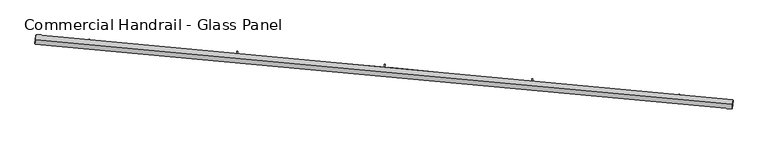
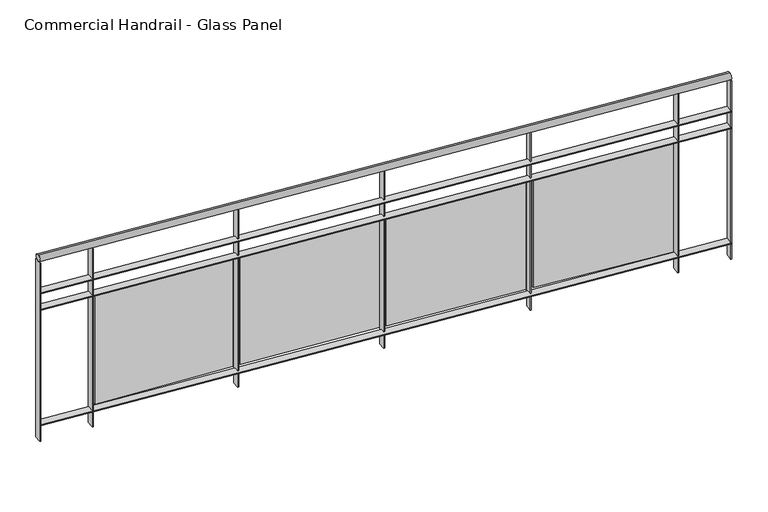
"""IFC4 building model written with IfcOpenShell, lengths in millimetres: railing geometry, Commercial Handrail - Glass Panel."""

from ifc_helpers import new_model, si_unit, point, frame, origin, place, context, project, spatial, polyline, circle_curve, ellipse_curve, trimmed, outline, extrude, source, transform, mapped, element, save
from ifc_brep_helpers import plane_surface, cylinder_surface, revolved_surface, advanced_brep


def commercial_handrail_glass_panel_a1b52bda(model_context):
    return source(origin(), model_context, "Body", "SolidModel", [
        advanced_brep(
        [(134392.4186606, -8697.9244773, 23082.5), (130631.4894824, -8347.8645549, 23082.5), (130631.4894824, -8347.8645549, 23117.5), (134392.4186606, -8697.9244773, 23117.5)],
        [
            (0, 1, circle_curve(frame((123990.1653691, -100078.2018552, 23082.5), z_axis=(0.0, 0.0, 1.0), x_axis=(0.07221150688072363, 0.9973893413677606, 0.0)), 91970.4407253)),
            (1, 2, ellipse_curve(frame((130631.4894824, -8347.8645549, 23100.0), z_axis=(0.9973893413677601, -0.07221150688073003, 0.0), x_axis=(-0.07221150688073003, -0.9973893413677601, 0.0)), 25.0, 17.5)),
            (2, 3, circle_curve(frame((123990.1653691, -100078.2018552, 23117.5), z_axis=(0.0, 0.0, -1.0), x_axis=(0.07221150688072363, 0.9973893413677606, 0.0)), 91970.4407253)),
            (3, 0, ellipse_curve(frame((134392.4186606, -8697.9244773, 23100.0), z_axis=(-0.9935831192856617, 0.11310431057468384, 0.0), x_axis=(-0.11310431057468384, -0.9935831192856617, 0.0)), 25.0, 17.5)),
            (2, 1, ellipse_curve(frame((130631.4894824, -8347.8645549, 23100.0), z_axis=(0.9973893413677601, -0.07221150688073003, 0.0), x_axis=(-0.07221150688073003, -0.9973893413677601, 0.0)), 25.0, 17.5)),
            (0, 3, ellipse_curve(frame((134392.4186606, -8697.9244773, 23100.0), z_axis=(-0.9935831192856617, 0.11310431057468384, 0.0), x_axis=(-0.11310431057468384, -0.9935831192856617, 0.0)), 25.0, 17.5)),
        ],
        [
            revolved_surface(trimmed(ellipse_curve(frame((130631.4894824, -8347.8645549, 23100.0), z_axis=(-0.9973893413677606, 0.07221150688072363, 0.0), x_axis=(0.0, 0.0, -1.0)), 17.5, 25.0), [point((130631.4894824, -8347.8645549, 23117.5))], [point((130631.4894824, -8347.8645549, 23082.5))], True, "CARTESIAN"), (123990.1653691, -100078.2018552, 23100.0), (0.0, 0.0, -1.0)),
            revolved_surface(trimmed(ellipse_curve(frame((130631.4894824, -8347.8645549, 23100.0), z_axis=(-0.9973893413677606, 0.07221150688072363, 0.0), x_axis=(0.0, 0.0, -1.0)), 17.5, 25.0), [point((130631.4894824, -8347.8645549, 23082.5))], [point((130631.4894824, -8347.8645549, 23117.5))], True, "CARTESIAN"), (123990.1653691, -100078.2018552, 23100.0), (0.0, 0.0, -1.0)),
            plane_surface(frame((130631.4894824, -8347.8645549, 23100.0), z_axis=(-0.9973893413677607, 0.07221150688072363, 0.0), x_axis=(0.07221150688072363, 0.9973893413677607, 0.0))),
            plane_surface(frame((134392.4186606, -8697.9244773, 23100.0), z_axis=(0.9935831192856617, -0.11310431057468376, 0.0), x_axis=(0.11310431057468376, 0.9935831192856617, 0.0))),
        ],
        [
            (0, [[1, 2, 3, 4]]),
            (1, [[-3, 5, -1, 6]]),
            (2, [[-2, -5]]),
            (3, [[-6, -4]]),
        ],
    ),
        advanced_brep(
        [(134394.9635076, -8675.5688571, 22900.0), (130633.1142413, -8325.4232948, 22900.0), (130629.8647235, -8370.3058151, 22900.0), (134389.8738136, -8720.2800975, 22900.0), (134394.9635076, -8675.5688571, 22894.0), (130633.1142413, -8325.4232948, 22894.0), (134389.8738136, -8720.2800975, 22894.0), (130629.8647235, -8370.3058151, 22894.0)],
        [
            (0, 1, circle_curve(frame((123990.1653691, -100078.2018552, 22900.0), z_axis=(0.0, 0.0, 1.0), x_axis=(0.07221150688072363, 0.9973893413677606, 0.0)), 91992.9407253)),
            (1, 2),
            (2, 3, circle_curve(frame((123990.1653691, -100078.2018552, 22900.0), z_axis=(0.0, 0.0, -1.0), x_axis=(0.07221150688072363, 0.9973893413677606, 0.0)), 91947.9407253)),
            (3, 0),
            (4, 5, circle_curve(frame((123990.1653691, -100078.2018552, 22894.0), z_axis=(0.0, 0.0, 1.0), x_axis=(0.07221150688072363, 0.9973893413677606, 0.0)), 91992.9407253)),
            (5, 1),
            (0, 4),
            (6, 7, circle_curve(frame((123990.1653691, -100078.2018552, 22894.0), z_axis=(0.0, 0.0, 1.0), x_axis=(0.07221150688072363, 0.9973893413677606, 0.0)), 91947.9407253)),
            (7, 5),
            (4, 6),
            (2, 7),
            (6, 3),
        ],
        [
            plane_surface(frame((123990.1653691, -100078.2018552, 22900.0), z_axis=(0.0, 0.0, 1.0), x_axis=(0.07221150688072363, 0.9973893413677606, 0.0))),
            cylinder_surface(frame((123990.1653691, -100078.2018552, 22900.0), z_axis=(0.0, 0.0, -1.0), x_axis=(0.07221150688072363, 0.9973893413677606, 0.0)), 91992.9407253),
            plane_surface(frame((123990.1653691, -100078.2018552, 22894.0), z_axis=(0.0, 0.0, -1.0), x_axis=(0.07221150688072363, 0.9973893413677606, 0.0))),
            revolved_surface(polyline([(130629.86472345337, -8370.305815071144, 22894.0), (130629.86472345337, -8370.305815071144, 22900.0)]), (123990.1653691, -100078.2018552, 22900.0), (0.0, 0.0, -1.0)),
            plane_surface(frame((130631.4894824, -8347.8645549, 22900.0), z_axis=(-0.9973893413677607, 0.07221150688072363, 0.0), x_axis=(0.07221150688072363, 0.9973893413677607, 0.0))),
            plane_surface(frame((134392.4186606, -8697.9244773, 22900.0), z_axis=(0.9935831192856617, -0.11310431057468376, 0.0), x_axis=(0.11310431057468376, 0.9935831192856617, 0.0))),
        ],
        [
            (0, [[1, 2, 3, 4]]),
            (1, [[5, 6, -1, 7]]),
            (2, [[8, 9, -5, 10]]),
            (3, [[-3, 11, -8, 12]]),
            (4, [[-2, -6, -9, -11]]),
            (5, [[-12, -10, -7, -4]]),
        ],
    ),
        advanced_brep(
        [(134394.9635076, -8675.5688571, 22800.0), (130633.1142413, -8325.4232948, 22800.0), (130629.8647235, -8370.3058151, 22800.0), (134389.8738136, -8720.2800975, 22800.0), (134394.9635076, -8675.5688571, 22794.0), (130633.1142413, -8325.4232948, 22794.0), (134389.8738136, -8720.2800975, 22794.0), (130629.8647235, -8370.3058151, 22794.0)],
        [
            (0, 1, circle_curve(frame((123990.1653691, -100078.2018552, 22800.0), z_axis=(0.0, 0.0, 1.0), x_axis=(0.07221150688072363, 0.9973893413677606, 0.0)), 91992.9407253)),
            (1, 2),
            (2, 3, circle_curve(frame((123990.1653691, -100078.2018552, 22800.0), z_axis=(0.0, 0.0, -1.0), x_axis=(0.07221150688072363, 0.9973893413677606, 0.0)), 91947.9407253)),
            (3, 0),
            (4, 5, circle_curve(frame((123990.1653691, -100078.2018552, 22794.0), z_axis=(0.0, 0.0, 1.0), x_axis=(0.07221150688072363, 0.9973893413677606, 0.0)), 91992.9407253)),
            (5, 1),
            (0, 4),
            (6, 7, circle_curve(frame((123990.1653691, -100078.2018552, 22794.0), z_axis=(0.0, 0.0, 1.0), x_axis=(0.07221150688072363, 0.9973893413677606, 0.0)), 91947.9407253)),
            (7, 5),
            (4, 6),
            (2, 7),
            (6, 3),
        ],
        [
            plane_surface(frame((123990.1653691, -100078.2018552, 22800.0), z_axis=(0.0, 0.0, 1.0), x_axis=(0.07221150688072363, 0.9973893413677606, 0.0))),
            cylinder_surface(frame((123990.1653691, -100078.2018552, 22800.0), z_axis=(0.0, 0.0, -1.0), x_axis=(0.07221150688072363, 0.9973893413677606, 0.0)), 91992.9407253),
            plane_surface(frame((123990.1653691, -100078.2018552, 22794.0), z_axis=(0.0, 0.0, -1.0), x_axis=(0.07221150688072363, 0.9973893413677606, 0.0))),
            revolved_surface(polyline([(130629.86472345337, -8370.305815071144, 22794.0), (130629.86472345337, -8370.305815071144, 22800.0)]), (123990.1653691, -100078.2018552, 22800.0), (0.0, 0.0, -1.0)),
            plane_surface(frame((130631.4894824, -8347.8645549, 22800.0), z_axis=(-0.9973893413677607, 0.07221150688072363, 0.0), x_axis=(0.07221150688072363, 0.9973893413677607, 0.0))),
            plane_surface(frame((134392.4186606, -8697.9244773, 22800.0), z_axis=(0.9935831192856617, -0.11310431057468376, 0.0), x_axis=(0.11310431057468376, 0.9935831192856617, 0.0))),
        ],
        [
            (0, [[1, 2, 3, 4]]),
            (1, [[5, 6, -1, 7]]),
            (2, [[8, 9, -5, 10]]),
            (3, [[-3, 11, -8, 12]]),
            (4, [[-2, -6, -9, -11]]),
            (5, [[-12, -10, -7, -4]]),
        ],
    ),
        advanced_brep(
        [(134394.9635076, -8675.5688571, 22100.0), (130633.1142413, -8325.4232948, 22100.0), (130629.8647235, -8370.3058151, 22100.0), (134389.8738136, -8720.2800975, 22100.0), (134394.9635076, -8675.5688571, 22094.0), (130633.1142413, -8325.4232948, 22094.0), (134389.8738136, -8720.2800975, 22094.0), (130629.8647235, -8370.3058151, 22094.0)],
        [
            (0, 1, circle_curve(frame((123990.1653691, -100078.2018552, 22100.0), z_axis=(0.0, 0.0, 1.0), x_axis=(0.07221150688072363, 0.9973893413677606, 0.0)), 91992.9407253)),
            (1, 2),
            (2, 3, circle_curve(frame((123990.1653691, -100078.2018552, 22100.0), z_axis=(0.0, 0.0, -1.0), x_axis=(0.07221150688072363, 0.9973893413677606, 0.0)), 91947.9407253)),
            (3, 0),
            (4, 5, circle_curve(frame((123990.1653691, -100078.2018552, 22094.0), z_axis=(0.0, 0.0, 1.0), x_axis=(0.07221150688072363, 0.9973893413677606, 0.0)), 91992.9407253)),
            (5, 1),
            (0, 4),
            (6, 7, circle_curve(frame((123990.1653691, -100078.2018552, 22094.0), z_axis=(0.0, 0.0, 1.0), x_axis=(0.07221150688072363, 0.9973893413677606, 0.0)), 91947.9407253)),
            (7, 5),
            (4, 6),
            (2, 7),
            (6, 3),
        ],
        [
            plane_surface(frame((123990.1653691, -100078.2018552, 22100.0), z_axis=(0.0, 0.0, 1.0), x_axis=(0.07221150688072363, 0.9973893413677606, 0.0))),
            cylinder_surface(frame((123990.1653691, -100078.2018552, 22100.0), z_axis=(0.0, 0.0, -1.0), x_axis=(0.07221150688072363, 0.9973893413677606, 0.0)), 91992.9407253),
            plane_surface(frame((123990.1653691, -100078.2018552, 22094.0), z_axis=(0.0, 0.0, -1.0), x_axis=(0.07221150688072363, 0.9973893413677606, 0.0))),
            revolved_surface(polyline([(130629.86472345337, -8370.305815071144, 22094.0), (130629.86472345337, -8370.305815071144, 22100.0)]), (123990.1653691, -100078.2018552, 22100.0), (0.0, 0.0, -1.0)),
            plane_surface(frame((130631.4894824, -8347.8645549, 22100.0), z_axis=(-0.9973893413677607, 0.07221150688072363, 0.0), x_axis=(0.07221150688072363, 0.9973893413677607, 0.0))),
            plane_surface(frame((134392.4186606, -8697.9244773, 22100.0), z_axis=(0.9935831192856617, -0.11310431057468376, 0.0), x_axis=(0.11310431057468376, 0.9935831192856617, 0.0))),
        ],
        [
            (0, [[1, 2, 3, 4]]),
            (1, [[5, 6, -1, 7]]),
            (2, [[8, 9, -5, 10]]),
            (3, [[-3, 11, -8, 12]]),
            (4, [[-2, -6, -9, -11]]),
            (5, [[-12, -10, -7, -4]]),
        ],
    ),
        extrude(outline(polyline([(134100.038637, -8687.7522714), (134104.9879428, -8643.0252732), (134110.9515425, -8643.6851806), (134106.0022367, -8688.4121789), (134100.038637, -8687.7522714)])), frame((0.0, 0.0, 22000.0), z_axis=(0.0, 0.0, 1.0), x_axis=(1.0, 0.0, 0.0)), (0.0, 0.0, 1.0), 1082.1192282),
        extrude(outline(polyline([(133330.5884692, -8576.4721186), (134086.3341715, -8656.7742575), (134085.066243, -8668.7070844), (133329.3205407, -8588.4049454), (133330.5884692, -8576.4721186)])), frame((0.0, 0.0, 22120.0), z_axis=(0.0, 0.0, 1.0), x_axis=(1.0, 0.0, 0.0)), (0.0, 0.0, 1.0), 660.0),
        extrude(outline(polyline([(133304.7112147, -8603.2705991), (133309.2712828, -8558.5022422), (133315.240397, -8559.1102513), (133310.680329, -8603.8786082), (133304.7112147, -8603.2705991)])), frame((0.0, 0.0, 22000.0), z_axis=(0.0, 0.0, 1.0), x_axis=(1.0, 0.0, 0.0)), (0.0, 0.0, 1.0), 1082.1192282),
        extrude(outline(polyline([(132534.3222039, -8498.6875932), (133290.7378105, -8572.4129632), (133289.5737257, -8584.3563675), (132533.1581191, -8510.6309975), (132534.3222039, -8498.6875932)])), frame((0.0, 0.0, 22120.0), z_axis=(0.0, 0.0, 1.0), x_axis=(1.0, 0.0, 0.0)), (0.0, 0.0, 1.0), 660.0),
        extrude(outline(polyline([(132508.6790306, -8525.710149), (132512.8495159, -8480.9038207), (132518.823693, -8481.4598854), (132514.6532077, -8526.2662137), (132508.6790306, -8525.710149)])), frame((0.0, 0.0, 22000.0), z_axis=(0.0, 0.0, 1.0), x_axis=(1.0, 0.0, 0.0)), (0.0, 0.0, 1.0), 1082.1192282),
        extrude(outline(polyline([(131737.4094664, -8427.832203), (132494.4377449, -8494.9752258), (132493.3775919, -8506.9283039), (131736.3493134, -8439.7852811), (131737.4094664, -8427.832203)])), frame((0.0, 0.0, 22120.0), z_axis=(0.0, 0.0, 1.0), x_axis=(1.0, 0.0, 0.0)), (0.0, 0.0, 1.0), 660.0),
        extrude(outline(polyline([(131712.0023145, -8455.0767895), (131715.7829014, -8410.23588), (131721.7616894, -8410.7399583), (131717.9811024, -8455.5808678), (131712.0023145, -8455.0767895)])), frame((0.0, 0.0, 22000.0), z_axis=(0.0, 0.0, 1.0), x_axis=(1.0, 0.0, 0.0)), (0.0, 0.0, 1.0), 1082.1192282),
        extrude(outline(polyline([(130939.9105529, -8363.9113091), (131697.4942248, -8424.4669046), (131696.5380838, -8436.428752), (130938.954412, -8375.8731566), (130939.9105529, -8363.9113091)])), frame((0.0, 0.0, 22120.0), z_axis=(0.0, 0.0, 1.0), x_axis=(1.0, 0.0, 0.0)), (0.0, 0.0, 1.0), 660.0),
        extrude(outline(polyline([(130914.7413448, -8391.3758649), (130918.1317474, -8346.503767), (130924.1146938, -8346.9558207), (130920.7242912, -8391.8279186), (130914.7413448, -8391.3758649)])), frame((0.0, 0.0, 22000.0), z_axis=(0.0, 0.0, 1.0), x_axis=(1.0, 0.0, 0.0)), (0.0, 0.0, 1.0), 1082.1192282),
        extrude(outline(polyline([(134386.8930643, -8719.9407846), (134391.9827582, -8675.2295442), (134397.9442569, -8675.9081701), (134392.854563, -8720.6194104), (134386.8930643, -8719.9407846)])), frame((0.0, 0.0, 22000.0), z_axis=(0.0, 0.0, 1.0), x_axis=(1.0, 0.0, 0.0)), (0.0, 0.0, 1.0), 1082.1192282),
        extrude(outline(polyline([(130626.8725554, -8370.0891806), (130630.1220733, -8325.2066602), (130636.1064093, -8325.6399293), (130632.8568915, -8370.5224496), (130626.8725554, -8370.0891806)])), frame((0.0, 0.0, 22000.0), z_axis=(0.0, 0.0, 1.0), x_axis=(1.0, 0.0, 0.0)), (0.0, 0.0, 1.0), 1082.1192282),
    ])


if __name__ == "__main__":
    model = new_model("IFC4")
    model_context = context("Model", 3, world=origin())
    ifc_project = project(units=[si_unit("LENGTHUNIT", "METRE", prefix="MILLI")], contexts=[model_context])
    site = spatial("IfcSite", under=ifc_project)
    building = spatial("IfcBuilding", under=site)
    placement = place(None, origin())
    commercial_handrail_glass_panel_shape = commercial_handrail_glass_panel_a1b52bda(model_context)
    element("IfcRailing", 1, ObjectType="Commercial Handrail - Glass Panel", at=placement, inside=building, context=model_context, shape_type="MappedRepresentation", body=[
        mapped(commercial_handrail_glass_panel_shape, transform((0.0, 0.0, 0.0), x_axis=(1.0, 0.0, 0.0), y_axis=(0.0, 1.0, 0.0), z_axis=(0.0, 0.0, 1.0))),
    ])
    save(model, "model.ifc")
